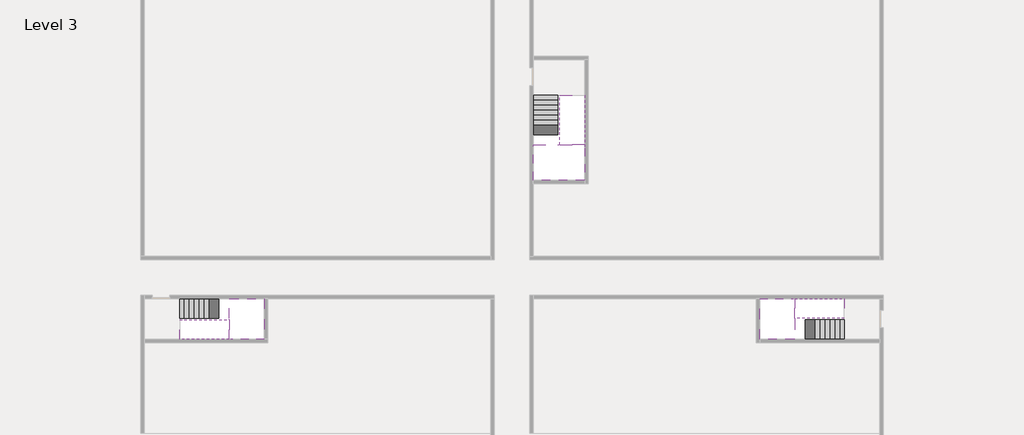
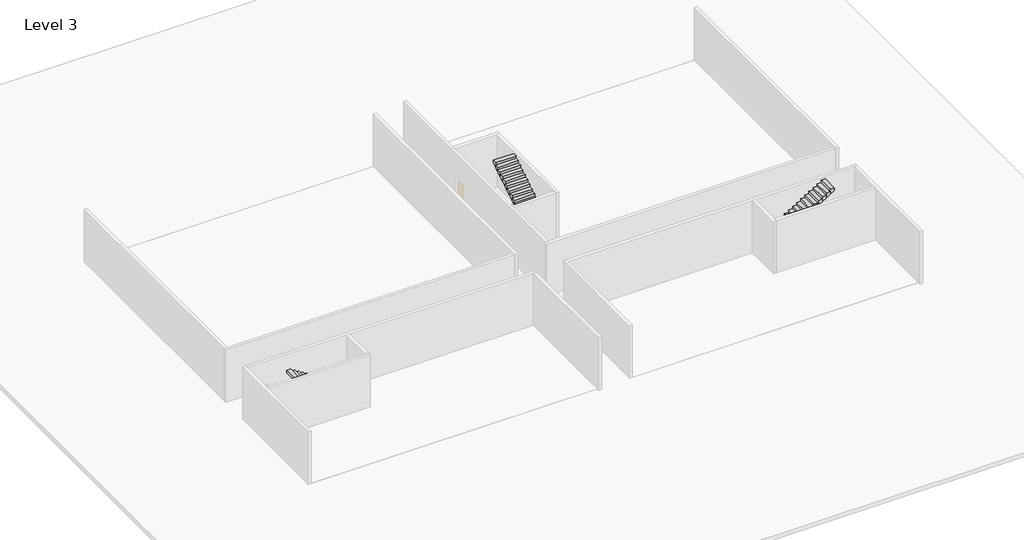
# One storey, part 2 of 2: 6 stair flights, 3 slabs.
"""IFC4 building model written with IfcOpenShell, lengths in millimetres."""

from ifc_helpers import new_model, si_unit, origin, place, context, project, spatial, faceted_brep, element, save

model = new_model("IFC4")

# Units and contexts
model_context = context("Model", 3, world=origin())
ifc_project = project(units=[si_unit("LENGTHUNIT", "METRE", prefix="MILLI")], contexts=[model_context])

# Site, building, storey
site = spatial("IfcSite", under=ifc_project)
building = spatial("IfcBuilding", under=site)
storey = spatial("IfcBuildingStorey", under=building, Name="Level 3", Elevation=7600.0)

# Slabs
placement = place(None, origin())
element("IfcSlab", 1, at=placement, inside=storey, context=model_context, shape_type="Brep", body=[
    faceted_brep([(8190.1058784, -42918.09644, 9500.0), (8190.1058784, -44018.09644, 9500.0), (8190.1058784, -44118.09644, 9500.0), (8190.1058784, -45218.09644, 9500.0), (8390.7194421, -45218.09644, 9500.0), (10190.1058784, -45218.09644, 9500.0), (10190.1058784, -42918.09644, 9500.0), (8269.4923146, -42918.09644, 9500.0), (8190.1058784, -42918.09644, 9327.2727273), (8190.1058784, -42918.09644, 9151.0278478), (8190.1058784, -44018.09644, 9151.0278478), (8190.1058784, -44018.09644, 9200.0), (8190.1058784, -44118.09644, 9200.0), (8190.1058784, -44118.09644, 9323.7551205), (8190.1058784, -45218.09644, 9323.7551205), (8390.7194421, -45218.09644, 9200.0), (10190.1058784, -45218.09644, 9200.0), (10190.1058784, -42918.09644, 9200.0), (8269.4923146, -42918.09644, 9200.0), (8390.7194421, -44118.09644, 9200.0), (8269.4923146, -44018.09644, 9200.0)], [[[0, 1, 2, 3, 4, 5, 6, 7]], [[1, 0, 8, 9, 10, 11]], [[2, 1, 11, 12, 13]], [[3, 2, 13, 14]], [[3, 14, 15, 16, 5, 4]], [[6, 5, 16, 17]], [[9, 8, 0, 7, 6, 17, 18]], [[19, 12, 11, 20, 18, 17, 16, 15]], [[12, 19, 13]], [[18, 20, 10, 9]], [[20, 11, 10]], [[19, 15, 14, 13]]]),
])
element("IfcSlab", 2, at=placement, inside=storey, context=model_context, shape_type="Brep", body=[
    faceted_brep([(40190.1058784, -45218.09644, 9500.0), (40190.1058784, -44118.09644, 9500.0), (40190.1058784, -44018.09644, 9500.0), (40190.1058784, -42918.09644, 9500.0), (39989.4923146, -42918.09644, 9500.0), (38190.1058784, -42918.09644, 9500.0), (38190.1058784, -45218.09644, 9500.0), (40110.7194421, -45218.09644, 9500.0), (40190.1058784, -45218.09644, 9327.2727273), (40190.1058784, -45218.09644, 9151.0278478), (40190.1058784, -44118.09644, 9151.0278478), (40190.1058784, -44118.09644, 9200.0), (40190.1058784, -44018.09644, 9200.0), (40190.1058784, -44018.09644, 9323.7551205), (40190.1058784, -42918.09644, 9323.7551205), (39989.4923146, -42918.09644, 9200.0), (38190.1058784, -42918.09644, 9200.0), (38190.1058784, -45218.09644, 9200.0), (40110.7194421, -45218.09644, 9200.0), (39989.4923146, -44018.09644, 9200.0), (40110.7194421, -44118.09644, 9200.0)], [[[0, 1, 2, 3, 4, 5, 6, 7]], [[1, 0, 8, 9, 10, 11]], [[2, 1, 11, 12, 13]], [[3, 2, 13, 14]], [[3, 14, 15, 16, 5, 4]], [[6, 5, 16, 17]], [[9, 8, 0, 7, 6, 17, 18]], [[19, 12, 11, 20, 18, 17, 16, 15]], [[12, 19, 13]], [[18, 20, 10, 9]], [[20, 11, 10]], [[19, 15, 14, 13]]]),
])
element("IfcSlab", 3, at=placement, inside=storey, context=model_context, shape_type="Brep", body=[
    faceted_brep([(26790.1058784, -34218.09644, 9500.0), (25390.1058784, -34218.09644, 9500.0), (25390.1058784, -34297.4828763, 9500.0), (25390.1058784, -36218.09644, 9500.0), (28290.1058784, -36218.09644, 9500.0), (28290.1058784, -34418.7100038, 9500.0), (28290.1058784, -34218.09644, 9500.0), (26890.1058784, -34218.09644, 9500.0), (26790.1058784, -34218.09644, 9200.0), (26790.1058784, -34218.09644, 9151.0278478), (25390.1058784, -34218.09644, 9151.0278478), (25390.1058784, -34218.09644, 9327.2727273), (25390.1058784, -34297.4828763, 9200.0), (25390.1058784, -36218.09644, 9200.0), (28290.1058784, -36218.09644, 9200.0), (28290.1058784, -34418.7100038, 9200.0), (28290.1058784, -34218.09644, 9323.7551205), (26890.1058784, -34218.09644, 9323.7551205), (26890.1058784, -34218.09644, 9200.0), (26890.1058784, -34418.7100038, 9200.0), (26790.1058784, -34297.4828763, 9200.0)], [[[0, 1, 2, 3, 4, 5, 6, 7]], [[1, 0, 8, 9, 10, 11]], [[1, 11, 10, 12, 13, 3, 2]], [[4, 3, 13, 14]], [[4, 14, 15, 16, 6, 5]], [[7, 6, 16, 17]], [[0, 7, 17, 18, 8]], [[18, 19, 15, 14, 13, 12, 20, 8]], [[19, 18, 17]], [[20, 12, 10, 9]], [[8, 20, 9]], [[15, 19, 17, 16]]]),
])

# Stair flights
element("IfcStairFlight", 4, at=placement, inside=storey, context=model_context, shape_type="Brep", body=[
    faceted_brep([(5670.1058784, -42918.09644, 7772.7272727), (5390.1058784, -42918.09644, 7772.7272727), (5390.1058784, -44018.09644, 7772.7272727), (5670.1058784, -44018.09644, 7772.7272727), (5670.1058784, -42918.09644, 7600.0), (5390.1058784, -42918.09644, 7600.0), (5390.1058784, -44018.09644, 7600.0), (5670.1058784, -44018.09644, 7600.0), (5950.1058784, -42918.09644, 7945.4545455), (5670.1058784, -42918.09644, 7945.4545455), (5670.1058784, -44018.09644, 7945.4545455), (5950.1058784, -44018.09644, 7945.4545455), (5950.1058784, -42918.09644, 7769.209666), (5675.8081041, -42918.09644, 7600.0), (5675.8081041, -44018.09644, 7600.0), (5950.1058784, -44018.09644, 7769.209666), (6230.1058784, -42918.09644, 8118.1818182), (5950.1058784, -42918.09644, 8118.1818182), (5950.1058784, -44018.09644, 8118.1818182), (6230.1058784, -44018.09644, 8118.1818182), (6230.1058784, -42918.09644, 7941.9369387), (6230.1058784, -44018.09644, 7941.9369387), (6510.1058784, -42918.09644, 8290.9090909), (6230.1058784, -42918.09644, 8290.9090909), (6230.1058784, -44018.09644, 8290.9090909), (6510.1058784, -44018.09644, 8290.9090909), (6510.1058784, -42918.09644, 8114.6642114), (6510.1058784, -44018.09644, 8114.6642114), (6790.1058784, -42918.09644, 8463.6363636), (6510.1058784, -42918.09644, 8463.6363636), (6510.1058784, -44018.09644, 8463.6363636), (6790.1058784, -44018.09644, 8463.6363636), (6790.1058784, -42918.09644, 8287.3914841), (6790.1058784, -44018.09644, 8287.3914841), (7070.1058784, -42918.09644, 8636.3636364), (6790.1058784, -42918.09644, 8636.3636364), (6790.1058784, -44018.09644, 8636.3636364), (7070.1058784, -44018.09644, 8636.3636364), (7070.1058784, -42918.09644, 8460.1187569), (7070.1058784, -44018.09644, 8460.1187569), (7350.1058784, -42918.09644, 8809.0909091), (7070.1058784, -42918.09644, 8809.0909091), (7070.1058784, -44018.09644, 8809.0909091), (7350.1058784, -44018.09644, 8809.0909091), (7350.1058784, -42918.09644, 8632.8460296), (7350.1058784, -44018.09644, 8632.8460296), (7630.1058784, -42918.09644, 8981.8181818), (7350.1058784, -42918.09644, 8981.8181818), (7350.1058784, -44018.09644, 8981.8181818), (7630.1058784, -44018.09644, 8981.8181818), (7630.1058784, -42918.09644, 8805.5733023), (7630.1058784, -44018.09644, 8805.5733023), (7910.1058784, -42918.09644, 9154.5454545), (7630.1058784, -42918.09644, 9154.5454545), (7630.1058784, -44018.09644, 9154.5454545), (7910.1058784, -44018.09644, 9154.5454545), (7910.1058784, -42918.09644, 8978.3005751), (7910.1058784, -44018.09644, 8978.3005751), (8190.1058784, -42918.09644, 9327.2727273), (7910.1058784, -42918.09644, 9327.2727273), (7910.1058784, -44018.09644, 9327.2727273), (8190.1058784, -44018.09644, 9327.2727273), (8190.1058784, -42918.09644, 9151.0278478), (8190.1058784, -44018.09644, 9151.0278478), (8190.1058784, -44018.09644, 9200.0)], [[[0, 1, 2, 3]], [[1, 0, 4, 5]], [[2, 1, 5, 6]], [[3, 2, 6, 7]], [[8, 9, 10, 11]], [[4, 0, 9, 8, 12, 13]], [[0, 3, 10, 9]], [[3, 7, 14, 15, 11, 10]], [[16, 17, 18, 19]], [[17, 16, 20, 12, 8]], [[8, 11, 18, 17]], [[19, 18, 11, 15, 21]], [[22, 23, 24, 25]], [[23, 22, 26, 20, 16]], [[16, 19, 24, 23]], [[25, 24, 19, 21, 27]], [[28, 29, 30, 31]], [[29, 28, 32, 26, 22]], [[22, 25, 30, 29]], [[31, 30, 25, 27, 33]], [[34, 35, 36, 37]], [[35, 34, 38, 32, 28]], [[28, 31, 36, 35]], [[37, 36, 31, 33, 39]], [[40, 41, 42, 43]], [[41, 40, 44, 38, 34]], [[34, 37, 42, 41]], [[43, 42, 37, 39, 45]], [[46, 47, 48, 49]], [[47, 46, 50, 44, 40]], [[40, 43, 48, 47]], [[49, 48, 43, 45, 51]], [[52, 53, 54, 55]], [[53, 52, 56, 50, 46]], [[46, 49, 54, 53]], [[55, 54, 49, 51, 57]], [[58, 59, 60, 61]], [[59, 58, 62, 56, 52]], [[52, 55, 60, 59]], [[61, 60, 55, 57, 63, 64]], [[58, 61, 64, 63, 62]], [[5, 4, 13, 14, 7, 6]], [[14, 13, 12, 20, 26, 32, 38, 44, 50, 56, 62, 63, 57, 51, 45, 39, 33, 27, 21, 15]]]),
])
element("IfcStairFlight", 5, at=placement, inside=storey, context=model_context, shape_type="Brep", body=[
    faceted_brep([(7910.1058784, -45218.09644, 9672.7272727), (8190.1058784, -45218.09644, 9672.7272727), (8190.1058784, -44118.09644, 9672.7272727), (7910.1058784, -44118.09644, 9672.7272727), (7910.1058784, -45218.09644, 9496.4823932), (8190.1058784, -45218.09644, 9323.7551205), (8190.1058784, -45218.09644, 9500.0), (8190.1058784, -44118.09644, 9323.7551205), (7910.1058784, -44118.09644, 9496.4823932), (7630.1058784, -45218.09644, 9845.4545455), (7910.1058784, -45218.09644, 9845.4545455), (7910.1058784, -44118.09644, 9845.4545455), (7630.1058784, -44118.09644, 9845.4545455), (7630.1058784, -45218.09644, 9669.209666), (7630.1058784, -44118.09644, 9669.209666), (7350.1058784, -45218.09644, 10018.1818182), (7630.1058784, -45218.09644, 10018.1818182), (7630.1058784, -44118.09644, 10018.1818182), (7350.1058784, -44118.09644, 10018.1818182), (7350.1058784, -45218.09644, 9841.9369387), (7350.1058784, -44118.09644, 9841.9369387), (7070.1058784, -45218.09644, 10190.9090909), (7350.1058784, -45218.09644, 10190.9090909), (7350.1058784, -44118.09644, 10190.9090909), (7070.1058784, -44118.09644, 10190.9090909), (7070.1058784, -45218.09644, 10014.6642114), (7070.1058784, -44118.09644, 10014.6642114), (6790.1058784, -45218.09644, 10363.6363636), (7070.1058784, -45218.09644, 10363.6363636), (7070.1058784, -44118.09644, 10363.6363636), (6790.1058784, -44118.09644, 10363.6363636), (6790.1058784, -45218.09644, 10187.3914841), (6790.1058784, -44118.09644, 10187.3914841), (6510.1058784, -45218.09644, 10536.3636364), (6790.1058784, -45218.09644, 10536.3636364), (6790.1058784, -44118.09644, 10536.3636364), (6510.1058784, -44118.09644, 10536.3636364), (6510.1058784, -45218.09644, 10360.1187569), (6510.1058784, -44118.09644, 10360.1187569), (6230.1058784, -45218.09644, 10709.0909091), (6510.1058784, -45218.09644, 10709.0909091), (6510.1058784, -44118.09644, 10709.0909091), (6230.1058784, -44118.09644, 10709.0909091), (6230.1058784, -45218.09644, 10532.8460296), (6230.1058784, -44118.09644, 10532.8460296), (5950.1058784, -45218.09644, 10881.8181818), (6230.1058784, -45218.09644, 10881.8181818), (6230.1058784, -44118.09644, 10881.8181818), (5950.1058784, -44118.09644, 10881.8181818), (5950.1058784, -45218.09644, 10705.5733023), (5950.1058784, -44118.09644, 10705.5733023), (5670.1058784, -45218.09644, 11054.5454545), (5950.1058784, -45218.09644, 11054.5454545), (5950.1058784, -44118.09644, 11054.5454545), (5670.1058784, -44118.09644, 11054.5454545), (5670.1058784, -45218.09644, 10878.3005751), (5670.1058784, -44118.09644, 10878.3005751), (5390.1058784, -45218.09644, 11227.2727273), (5670.1058784, -45218.09644, 11227.2727273), (5670.1058784, -44118.09644, 11227.2727273), (5390.1058784, -44118.09644, 11227.2727273), (5390.1058784, -45218.09644, 11051.0278478), (5390.1058784, -44118.09644, 11051.0278478)], [[[0, 1, 2, 3]], [[1, 0, 4, 5, 6]], [[2, 1, 6, 5, 7]], [[3, 2, 7, 8]], [[9, 10, 11, 12]], [[10, 9, 13, 4, 0]], [[11, 10, 0, 3]], [[12, 11, 3, 8, 14]], [[15, 16, 17, 18]], [[16, 15, 19, 13, 9]], [[17, 16, 9, 12]], [[18, 17, 12, 14, 20]], [[21, 22, 23, 24]], [[22, 21, 25, 19, 15]], [[23, 22, 15, 18]], [[24, 23, 18, 20, 26]], [[27, 28, 29, 30]], [[28, 27, 31, 25, 21]], [[29, 28, 21, 24]], [[30, 29, 24, 26, 32]], [[33, 34, 35, 36]], [[34, 33, 37, 31, 27]], [[35, 34, 27, 30]], [[36, 35, 30, 32, 38]], [[39, 40, 41, 42]], [[40, 39, 43, 37, 33]], [[41, 40, 33, 36]], [[42, 41, 36, 38, 44]], [[45, 46, 47, 48]], [[46, 45, 49, 43, 39]], [[47, 46, 39, 42]], [[48, 47, 42, 44, 50]], [[51, 52, 53, 54]], [[52, 51, 55, 49, 45]], [[53, 52, 45, 48]], [[54, 53, 48, 50, 56]], [[57, 58, 59, 60]], [[58, 57, 61, 55, 51]], [[59, 58, 51, 54]], [[60, 59, 54, 56, 62]], [[57, 60, 62, 61]], [[5, 4, 13, 19, 25, 31, 37, 43, 49, 55, 61, 62, 56, 50, 44, 38, 32, 26, 20, 14, 8, 7]]]),
])
element("IfcStairFlight", 6, at=placement, inside=storey, context=model_context, shape_type="Brep", body=[
    faceted_brep([(42710.1058784, -45218.09644, 7772.7272727), (42990.1058784, -45218.09644, 7772.7272727), (42990.1058784, -44118.09644, 7772.7272727), (42710.1058784, -44118.09644, 7772.7272727), (42710.1058784, -45218.09644, 7600.0), (42990.1058784, -45218.09644, 7600.0), (42990.1058784, -44118.09644, 7600.0), (42710.1058784, -44118.09644, 7600.0), (42430.1058784, -45218.09644, 7945.4545455), (42710.1058784, -45218.09644, 7945.4545455), (42710.1058784, -44118.09644, 7945.4545455), (42430.1058784, -44118.09644, 7945.4545455), (42430.1058784, -45218.09644, 7769.209666), (42704.4036527, -45218.09644, 7600.0), (42704.4036527, -44118.09644, 7600.0), (42430.1058784, -44118.09644, 7769.209666), (42150.1058784, -45218.09644, 8118.1818182), (42430.1058784, -45218.09644, 8118.1818182), (42430.1058784, -44118.09644, 8118.1818182), (42150.1058784, -44118.09644, 8118.1818182), (42150.1058784, -45218.09644, 7941.9369387), (42150.1058784, -44118.09644, 7941.9369387), (41870.1058784, -45218.09644, 8290.9090909), (42150.1058784, -45218.09644, 8290.9090909), (42150.1058784, -44118.09644, 8290.9090909), (41870.1058784, -44118.09644, 8290.9090909), (41870.1058784, -45218.09644, 8114.6642114), (41870.1058784, -44118.09644, 8114.6642114), (41590.1058784, -45218.09644, 8463.6363636), (41870.1058784, -45218.09644, 8463.6363636), (41870.1058784, -44118.09644, 8463.6363636), (41590.1058784, -44118.09644, 8463.6363636), (41590.1058784, -45218.09644, 8287.3914841), (41590.1058784, -44118.09644, 8287.3914841), (41310.1058784, -45218.09644, 8636.3636364), (41590.1058784, -45218.09644, 8636.3636364), (41590.1058784, -44118.09644, 8636.3636364), (41310.1058784, -44118.09644, 8636.3636364), (41310.1058784, -45218.09644, 8460.1187569), (41310.1058784, -44118.09644, 8460.1187569), (41030.1058784, -45218.09644, 8809.0909091), (41310.1058784, -45218.09644, 8809.0909091), (41310.1058784, -44118.09644, 8809.0909091), (41030.1058784, -44118.09644, 8809.0909091), (41030.1058784, -45218.09644, 8632.8460296), (41030.1058784, -44118.09644, 8632.8460296), (40750.1058784, -45218.09644, 8981.8181818), (41030.1058784, -45218.09644, 8981.8181818), (41030.1058784, -44118.09644, 8981.8181818), (40750.1058784, -44118.09644, 8981.8181818), (40750.1058784, -45218.09644, 8805.5733023), (40750.1058784, -44118.09644, 8805.5733023), (40470.1058784, -45218.09644, 9154.5454545), (40750.1058784, -45218.09644, 9154.5454545), (40750.1058784, -44118.09644, 9154.5454545), (40470.1058784, -44118.09644, 9154.5454545), (40470.1058784, -45218.09644, 8978.3005751), (40470.1058784, -44118.09644, 8978.3005751), (40190.1058784, -45218.09644, 9327.2727273), (40470.1058784, -45218.09644, 9327.2727273), (40470.1058784, -44118.09644, 9327.2727273), (40190.1058784, -44118.09644, 9327.2727273), (40190.1058784, -45218.09644, 9151.0278478), (40190.1058784, -44118.09644, 9151.0278478), (40190.1058784, -44118.09644, 9200.0)], [[[0, 1, 2, 3]], [[1, 0, 4, 5]], [[2, 1, 5, 6]], [[3, 2, 6, 7]], [[8, 9, 10, 11]], [[4, 0, 9, 8, 12, 13]], [[0, 3, 10, 9]], [[3, 7, 14, 15, 11, 10]], [[16, 17, 18, 19]], [[17, 16, 20, 12, 8]], [[8, 11, 18, 17]], [[19, 18, 11, 15, 21]], [[22, 23, 24, 25]], [[23, 22, 26, 20, 16]], [[16, 19, 24, 23]], [[25, 24, 19, 21, 27]], [[28, 29, 30, 31]], [[29, 28, 32, 26, 22]], [[22, 25, 30, 29]], [[31, 30, 25, 27, 33]], [[34, 35, 36, 37]], [[35, 34, 38, 32, 28]], [[28, 31, 36, 35]], [[37, 36, 31, 33, 39]], [[40, 41, 42, 43]], [[41, 40, 44, 38, 34]], [[34, 37, 42, 41]], [[43, 42, 37, 39, 45]], [[46, 47, 48, 49]], [[47, 46, 50, 44, 40]], [[40, 43, 48, 47]], [[49, 48, 43, 45, 51]], [[52, 53, 54, 55]], [[53, 52, 56, 50, 46]], [[46, 49, 54, 53]], [[55, 54, 49, 51, 57]], [[58, 59, 60, 61]], [[59, 58, 62, 56, 52]], [[52, 55, 60, 59]], [[61, 60, 55, 57, 63, 64]], [[58, 61, 64, 63, 62]], [[5, 4, 13, 14, 7, 6]], [[14, 13, 12, 20, 26, 32, 38, 44, 50, 56, 62, 63, 57, 51, 45, 39, 33, 27, 21, 15]]]),
])
element("IfcStairFlight", 7, at=placement, inside=storey, context=model_context, shape_type="Brep", body=[
    faceted_brep([(40470.1058784, -42918.09644, 9672.7272727), (40190.1058784, -42918.09644, 9672.7272727), (40190.1058784, -44018.09644, 9672.7272727), (40470.1058784, -44018.09644, 9672.7272727), (40470.1058784, -42918.09644, 9496.4823932), (40190.1058784, -42918.09644, 9323.7551205), (40190.1058784, -42918.09644, 9500.0), (40190.1058784, -44018.09644, 9323.7551205), (40470.1058784, -44018.09644, 9496.4823932), (40750.1058784, -42918.09644, 9845.4545455), (40470.1058784, -42918.09644, 9845.4545455), (40470.1058784, -44018.09644, 9845.4545455), (40750.1058784, -44018.09644, 9845.4545455), (40750.1058784, -42918.09644, 9669.209666), (40750.1058784, -44018.09644, 9669.209666), (41030.1058784, -42918.09644, 10018.1818182), (40750.1058784, -42918.09644, 10018.1818182), (40750.1058784, -44018.09644, 10018.1818182), (41030.1058784, -44018.09644, 10018.1818182), (41030.1058784, -42918.09644, 9841.9369387), (41030.1058784, -44018.09644, 9841.9369387), (41310.1058784, -42918.09644, 10190.9090909), (41030.1058784, -42918.09644, 10190.9090909), (41030.1058784, -44018.09644, 10190.9090909), (41310.1058784, -44018.09644, 10190.9090909), (41310.1058784, -42918.09644, 10014.6642114), (41310.1058784, -44018.09644, 10014.6642114), (41590.1058784, -42918.09644, 10363.6363636), (41310.1058784, -42918.09644, 10363.6363636), (41310.1058784, -44018.09644, 10363.6363636), (41590.1058784, -44018.09644, 10363.6363636), (41590.1058784, -42918.09644, 10187.3914841), (41590.1058784, -44018.09644, 10187.3914841), (41870.1058784, -42918.09644, 10536.3636364), (41590.1058784, -42918.09644, 10536.3636364), (41590.1058784, -44018.09644, 10536.3636364), (41870.1058784, -44018.09644, 10536.3636364), (41870.1058784, -42918.09644, 10360.1187569), (41870.1058784, -44018.09644, 10360.1187569), (42150.1058784, -42918.09644, 10709.0909091), (41870.1058784, -42918.09644, 10709.0909091), (41870.1058784, -44018.09644, 10709.0909091), (42150.1058784, -44018.09644, 10709.0909091), (42150.1058784, -42918.09644, 10532.8460296), (42150.1058784, -44018.09644, 10532.8460296), (42430.1058784, -42918.09644, 10881.8181818), (42150.1058784, -42918.09644, 10881.8181818), (42150.1058784, -44018.09644, 10881.8181818), (42430.1058784, -44018.09644, 10881.8181818), (42430.1058784, -42918.09644, 10705.5733023), (42430.1058784, -44018.09644, 10705.5733023), (42710.1058784, -42918.09644, 11054.5454545), (42430.1058784, -42918.09644, 11054.5454545), (42430.1058784, -44018.09644, 11054.5454545), (42710.1058784, -44018.09644, 11054.5454545), (42710.1058784, -42918.09644, 10878.3005751), (42710.1058784, -44018.09644, 10878.3005751), (42990.1058784, -42918.09644, 11227.2727273), (42710.1058784, -42918.09644, 11227.2727273), (42710.1058784, -44018.09644, 11227.2727273), (42990.1058784, -44018.09644, 11227.2727273), (42990.1058784, -42918.09644, 11051.0278478), (42990.1058784, -44018.09644, 11051.0278478)], [[[0, 1, 2, 3]], [[1, 0, 4, 5, 6]], [[2, 1, 6, 5, 7]], [[3, 2, 7, 8]], [[9, 10, 11, 12]], [[10, 9, 13, 4, 0]], [[11, 10, 0, 3]], [[12, 11, 3, 8, 14]], [[15, 16, 17, 18]], [[16, 15, 19, 13, 9]], [[17, 16, 9, 12]], [[18, 17, 12, 14, 20]], [[21, 22, 23, 24]], [[22, 21, 25, 19, 15]], [[23, 22, 15, 18]], [[24, 23, 18, 20, 26]], [[27, 28, 29, 30]], [[28, 27, 31, 25, 21]], [[29, 28, 21, 24]], [[30, 29, 24, 26, 32]], [[33, 34, 35, 36]], [[34, 33, 37, 31, 27]], [[35, 34, 27, 30]], [[36, 35, 30, 32, 38]], [[39, 40, 41, 42]], [[40, 39, 43, 37, 33]], [[41, 40, 33, 36]], [[42, 41, 36, 38, 44]], [[45, 46, 47, 48]], [[46, 45, 49, 43, 39]], [[47, 46, 39, 42]], [[48, 47, 42, 44, 50]], [[51, 52, 53, 54]], [[52, 51, 55, 49, 45]], [[53, 52, 45, 48]], [[54, 53, 48, 50, 56]], [[57, 58, 59, 60]], [[58, 57, 61, 55, 51]], [[59, 58, 51, 54]], [[60, 59, 54, 56, 62]], [[57, 60, 62, 61]], [[5, 4, 13, 19, 25, 31, 37, 43, 49, 55, 61, 62, 56, 50, 44, 38, 32, 26, 20, 14, 8, 7]]]),
])
element("IfcStairFlight", 8, at=placement, inside=storey, context=model_context, shape_type="Brep", body=[
    faceted_brep([(26790.1058784, -31698.09644, 7772.7272727), (26790.1058784, -31418.09644, 7772.7272727), (25390.1058784, -31418.09644, 7772.7272727), (25390.1058784, -31698.09644, 7772.7272727), (26790.1058784, -31698.09644, 7600.0), (26790.1058784, -31418.09644, 7600.0), (25390.1058784, -31418.09644, 7600.0), (25390.1058784, -31698.09644, 7600.0), (26790.1058784, -31978.09644, 7945.4545455), (26790.1058784, -31698.09644, 7945.4545455), (25390.1058784, -31698.09644, 7945.4545455), (25390.1058784, -31978.09644, 7945.4545455), (26790.1058784, -31978.09644, 7769.209666), (26790.1058784, -31703.7986657, 7600.0), (25390.1058784, -31703.7986657, 7600.0), (25390.1058784, -31978.09644, 7769.209666), (26790.1058784, -32258.09644, 8118.1818182), (26790.1058784, -31978.09644, 8118.1818182), (25390.1058784, -31978.09644, 8118.1818182), (25390.1058784, -32258.09644, 8118.1818182), (26790.1058784, -32258.09644, 7941.9369387), (25390.1058784, -32258.09644, 7941.9369387), (26790.1058784, -32538.09644, 8290.9090909), (26790.1058784, -32258.09644, 8290.9090909), (25390.1058784, -32258.09644, 8290.9090909), (25390.1058784, -32538.09644, 8290.9090909), (26790.1058784, -32538.09644, 8114.6642114), (25390.1058784, -32538.09644, 8114.6642114), (26790.1058784, -32818.09644, 8463.6363636), (26790.1058784, -32538.09644, 8463.6363636), (25390.1058784, -32538.09644, 8463.6363636), (25390.1058784, -32818.09644, 8463.6363636), (26790.1058784, -32818.09644, 8287.3914841), (25390.1058784, -32818.09644, 8287.3914841), (26790.1058784, -33098.09644, 8636.3636364), (26790.1058784, -32818.09644, 8636.3636364), (25390.1058784, -32818.09644, 8636.3636364), (25390.1058784, -33098.09644, 8636.3636364), (26790.1058784, -33098.09644, 8460.1187569), (25390.1058784, -33098.09644, 8460.1187569), (26790.1058784, -33378.09644, 8809.0909091), (26790.1058784, -33098.09644, 8809.0909091), (25390.1058784, -33098.09644, 8809.0909091), (25390.1058784, -33378.09644, 8809.0909091), (26790.1058784, -33378.09644, 8632.8460296), (25390.1058784, -33378.09644, 8632.8460296), (26790.1058784, -33658.09644, 8981.8181818), (26790.1058784, -33378.09644, 8981.8181818), (25390.1058784, -33378.09644, 8981.8181818), (25390.1058784, -33658.09644, 8981.8181818), (26790.1058784, -33658.09644, 8805.5733023), (25390.1058784, -33658.09644, 8805.5733023), (26790.1058784, -33938.09644, 9154.5454545), (26790.1058784, -33658.09644, 9154.5454545), (25390.1058784, -33658.09644, 9154.5454545), (25390.1058784, -33938.09644, 9154.5454545), (26790.1058784, -33938.09644, 8978.3005751), (25390.1058784, -33938.09644, 8978.3005751), (26790.1058784, -34218.09644, 9327.2727273), (26790.1058784, -33938.09644, 9327.2727273), (25390.1058784, -33938.09644, 9327.2727273), (25390.1058784, -34218.09644, 9327.2727273), (26790.1058784, -34218.09644, 9200.0), (26790.1058784, -34218.09644, 9151.0278478), (25390.1058784, -34218.09644, 9151.0278478)], [[[0, 1, 2, 3]], [[1, 0, 4, 5]], [[2, 1, 5, 6]], [[3, 2, 6, 7]], [[8, 9, 10, 11]], [[4, 0, 9, 8, 12, 13]], [[0, 3, 10, 9]], [[3, 7, 14, 15, 11, 10]], [[16, 17, 18, 19]], [[17, 16, 20, 12, 8]], [[8, 11, 18, 17]], [[19, 18, 11, 15, 21]], [[22, 23, 24, 25]], [[23, 22, 26, 20, 16]], [[16, 19, 24, 23]], [[25, 24, 19, 21, 27]], [[28, 29, 30, 31]], [[29, 28, 32, 26, 22]], [[22, 25, 30, 29]], [[31, 30, 25, 27, 33]], [[34, 35, 36, 37]], [[35, 34, 38, 32, 28]], [[28, 31, 36, 35]], [[37, 36, 31, 33, 39]], [[40, 41, 42, 43]], [[41, 40, 44, 38, 34]], [[34, 37, 42, 41]], [[43, 42, 37, 39, 45]], [[46, 47, 48, 49]], [[47, 46, 50, 44, 40]], [[40, 43, 48, 47]], [[49, 48, 43, 45, 51]], [[52, 53, 54, 55]], [[53, 52, 56, 50, 46]], [[46, 49, 54, 53]], [[55, 54, 49, 51, 57]], [[58, 59, 60, 61]], [[59, 58, 62, 63, 56, 52]], [[52, 55, 60, 59]], [[61, 60, 55, 57, 64]], [[58, 61, 64, 63, 62]], [[5, 4, 13, 14, 7, 6]], [[14, 13, 12, 20, 26, 32, 38, 44, 50, 56, 63, 64, 57, 51, 45, 39, 33, 27, 21, 15]]]),
])
element("IfcStairFlight", 9, at=placement, inside=storey, context=model_context, shape_type="Brep", body=[
    faceted_brep([(26890.1058784, -33938.09644, 9672.7272727), (26890.1058784, -34218.09644, 9672.7272727), (28290.1058784, -34218.09644, 9672.7272727), (28290.1058784, -33938.09644, 9672.7272727), (26890.1058784, -33938.09644, 9496.4823932), (26890.1058784, -34218.09644, 9323.7551205), (28290.1058784, -34218.09644, 9323.7551205), (28290.1058784, -34218.09644, 9500.0), (28290.1058784, -33938.09644, 9496.4823932), (26890.1058784, -33658.09644, 9845.4545455), (26890.1058784, -33938.09644, 9845.4545455), (28290.1058784, -33938.09644, 9845.4545455), (28290.1058784, -33658.09644, 9845.4545455), (26890.1058784, -33658.09644, 9669.209666), (28290.1058784, -33658.09644, 9669.209666), (26890.1058784, -33378.09644, 10018.1818182), (26890.1058784, -33658.09644, 10018.1818182), (28290.1058784, -33658.09644, 10018.1818182), (28290.1058784, -33378.09644, 10018.1818182), (26890.1058784, -33378.09644, 9841.9369387), (28290.1058784, -33378.09644, 9841.9369387), (26890.1058784, -33098.09644, 10190.9090909), (26890.1058784, -33378.09644, 10190.9090909), (28290.1058784, -33378.09644, 10190.9090909), (28290.1058784, -33098.09644, 10190.9090909), (26890.1058784, -33098.09644, 10014.6642114), (28290.1058784, -33098.09644, 10014.6642114), (26890.1058784, -32818.09644, 10363.6363636), (26890.1058784, -33098.09644, 10363.6363636), (28290.1058784, -33098.09644, 10363.6363636), (28290.1058784, -32818.09644, 10363.6363636), (26890.1058784, -32818.09644, 10187.3914841), (28290.1058784, -32818.09644, 10187.3914841), (26890.1058784, -32538.09644, 10536.3636364), (26890.1058784, -32818.09644, 10536.3636364), (28290.1058784, -32818.09644, 10536.3636364), (28290.1058784, -32538.09644, 10536.3636364), (26890.1058784, -32538.09644, 10360.1187569), (28290.1058784, -32538.09644, 10360.1187569), (26890.1058784, -32258.09644, 10709.0909091), (26890.1058784, -32538.09644, 10709.0909091), (28290.1058784, -32538.09644, 10709.0909091), (28290.1058784, -32258.09644, 10709.0909091), (26890.1058784, -32258.09644, 10532.8460296), (28290.1058784, -32258.09644, 10532.8460296), (26890.1058784, -31978.09644, 10881.8181818), (26890.1058784, -32258.09644, 10881.8181818), (28290.1058784, -32258.09644, 10881.8181818), (28290.1058784, -31978.09644, 10881.8181818), (26890.1058784, -31978.09644, 10705.5733023), (28290.1058784, -31978.09644, 10705.5733023), (26890.1058784, -31698.09644, 11054.5454545), (26890.1058784, -31978.09644, 11054.5454545), (28290.1058784, -31978.09644, 11054.5454545), (28290.1058784, -31698.09644, 11054.5454545), (26890.1058784, -31698.09644, 10878.3005751), (28290.1058784, -31698.09644, 10878.3005751), (26890.1058784, -31418.09644, 11227.2727273), (26890.1058784, -31698.09644, 11227.2727273), (28290.1058784, -31698.09644, 11227.2727273), (28290.1058784, -31418.09644, 11227.2727273), (26890.1058784, -31418.09644, 11051.0278478), (28290.1058784, -31418.09644, 11051.0278478)], [[[0, 1, 2, 3]], [[1, 0, 4, 5]], [[2, 1, 5, 6, 7]], [[3, 2, 7, 6, 8]], [[9, 10, 11, 12]], [[10, 9, 13, 4, 0]], [[11, 10, 0, 3]], [[12, 11, 3, 8, 14]], [[15, 16, 17, 18]], [[16, 15, 19, 13, 9]], [[17, 16, 9, 12]], [[18, 17, 12, 14, 20]], [[21, 22, 23, 24]], [[22, 21, 25, 19, 15]], [[23, 22, 15, 18]], [[24, 23, 18, 20, 26]], [[27, 28, 29, 30]], [[28, 27, 31, 25, 21]], [[29, 28, 21, 24]], [[30, 29, 24, 26, 32]], [[33, 34, 35, 36]], [[34, 33, 37, 31, 27]], [[35, 34, 27, 30]], [[36, 35, 30, 32, 38]], [[39, 40, 41, 42]], [[40, 39, 43, 37, 33]], [[41, 40, 33, 36]], [[42, 41, 36, 38, 44]], [[45, 46, 47, 48]], [[46, 45, 49, 43, 39]], [[47, 46, 39, 42]], [[48, 47, 42, 44, 50]], [[51, 52, 53, 54]], [[52, 51, 55, 49, 45]], [[53, 52, 45, 48]], [[54, 53, 48, 50, 56]], [[57, 58, 59, 60]], [[58, 57, 61, 55, 51]], [[59, 58, 51, 54]], [[60, 59, 54, 56, 62]], [[57, 60, 62, 61]], [[5, 4, 13, 19, 25, 31, 37, 43, 49, 55, 61, 62, 56, 50, 44, 38, 32, 26, 20, 14, 8, 6]]]),
])

save(model, "model.ifc")
